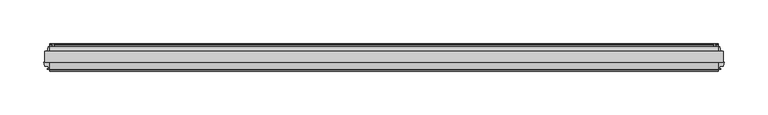
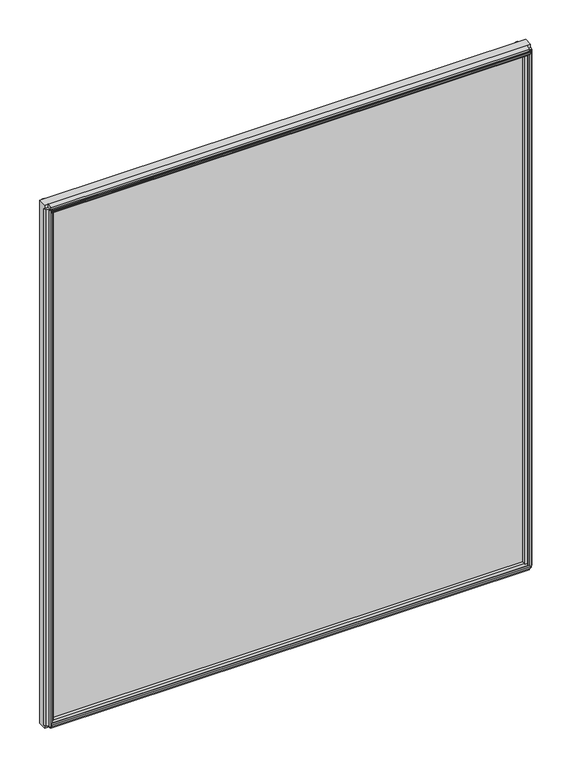
"""IFC4 building model written with IfcOpenShell, lengths in millimetres: plate geometry."""

from ifc_helpers import new_model, si_unit, frame, origin, place, context, project, spatial, polyline, outline, extrude, source, transform, mapped, element, save


def plate_525aedae(model_context):
    return source(origin(), model_context, "Body", "SweptSolid", [
        extrude(outline(polyline([(388.7930103, -0.0460375), (388.7930103, -12.8984375), (-388.7930103, -12.8984375), (-388.7930103, -0.0460375), (388.7930103, -0.0460375)])), frame((0.0, 0.0, -25.4), z_axis=(0.0, 0.0, 1.0), x_axis=(1.0, 0.0, 0.0)), (0.0, 0.0, 1.0), 884.5249632),
        extrude(outline(polyline([(-12.8984375, 859.1590805), (-12.8984375, 845.3420306), (-17.6736375, 846.3409457), (-18.7846441, 850.4872789), (-21.5347434, 850.2500163), (-20.888384, 848.8191509), (-21.6734885, 848.6087827), (-22.6708491, 850.7607742), (-22.8831052, 853.1231337), (-22.0980007, 853.3335018), (-21.9423316, 851.7711563), (-19.4420445, 852.9407305), (-20.5530511, 857.0870637), (-12.8984375, 859.1590805)])), frame((-383.2367603, 0.0, 0.0), z_axis=(1.0, 0.0, 0.0), x_axis=(0.0, 1.0, 0.0)), (0.0, 0.0, 1.0), 766.4735205),
        extrude(outline(polyline([(4.8053625, 853.906368), (4.8053625, 849.613768), (7.5231625, 849.131168), (7.2691625, 850.680568), (8.0819625, 850.680568), (8.4883625, 848.343768), (8.0819625, 846.006968), (7.2691625, 846.006968), (7.5231625, 847.556368), (4.8053625, 847.073768), (4.8053625, 842.781168), (-0.0460375, 841.5477612), (-0.0460375, 855.1397747), (4.8053625, 853.906368)])), frame((-383.2367603, 0.0, 0.0), z_axis=(1.0, 0.0, 0.0), x_axis=(0.0, 1.0, 0.0)), (0.0, 0.0, 1.0), 766.4735205),
        extrude(outline(polyline([(382.4395632, -20.2926598), (381.9472461, -17.5766032), (377.668971, -17.5766032), (376.4796069, -12.8984375), (389.9812136, -12.8984375), (388.7941591, -17.5675189), (384.4872298, -17.5675189), (384.0143532, -20.2870275), (385.5672103, -20.0267543), (385.5672103, -20.8400217), (383.2304103, -21.2550375), (380.8936103, -20.8572426), (380.8936103, -20.0448993), (382.4395632, -20.2926598)])), frame((0.0, 0.0, -19.84375), z_axis=(0.0, 0.0, 1.0), x_axis=(1.0, 0.0, 0.0)), (0.0, 0.0, 1.0), 873.4124632),
        extrude(outline(polyline([(379.7979532, 7.6219525), (380.2734994, 4.8870913), (384.5816623, 4.8870913), (385.8358475, -0.0460375), (372.192173, -0.0460375), (373.4525591, 4.9114812), (377.7308375, 4.9114812), (378.2231632, 7.6275848), (376.6757717, 7.3791279), (376.6757717, 8.1919227), (379.0140103, 8.5899625), (381.3493418, 8.1752075), (381.3464348, 7.3624127), (379.7979532, 7.6219525)])), frame((0.0, 0.0, -19.84375), z_axis=(0.0, 0.0, 1.0), x_axis=(1.0, 0.0, 0.0)), (0.0, 0.0, 1.0), 873.4124632),
        extrude(outline(polyline([(-384.0143532, -20.2870275), (-384.4898994, -17.5521663), (-388.7980623, -17.5521663), (-389.9785902, -12.9087562), (-376.4822303, -12.9087562), (-377.6689591, -17.5765562), (-381.9472375, -17.5765562), (-382.4395632, -20.2926598), (-380.8921717, -20.0442029), (-380.8921717, -20.8569977), (-383.2304103, -21.2550375), (-385.5657418, -20.8402825), (-385.5628348, -20.0274877), (-384.0143532, -20.2870275)])), frame((0.0, 0.0, -19.84375), z_axis=(0.0, 0.0, 1.0), x_axis=(1.0, 0.0, 0.0)), (0.0, 0.0, 1.0), 873.4124632),
        extrude(outline(polyline([(-378.2300673, 7.6219525), (-377.7545211, 4.8870913), (-373.4463583, 4.8870913), (-372.192173, -0.0460375), (-385.8358475, -0.0460375), (-384.5754614, 4.9114812), (-380.297183, 4.9114812), (-379.8048573, 7.6275848), (-381.3522488, 7.3791279), (-381.3522488, 8.1919227), (-379.0140103, 8.5899625), (-376.6786787, 8.1752075), (-376.6815857, 7.3624127), (-378.2300673, 7.6219525)])), frame((0.0, 0.0, -19.84375), z_axis=(0.0, 0.0, 1.0), x_axis=(1.0, 0.0, 0.0)), (0.0, 0.0, 1.0), 873.4124632),
        extrude(outline(polyline([(-12.8984375, -25.4341173), (-20.5530511, -23.3621005), (-19.4420445, -19.2157673), (-21.9423316, -18.0461931), (-22.0980007, -19.6085386), (-22.8831052, -19.3981705), (-22.6708491, -17.0358109), (-21.6734885, -14.8838195), (-20.888384, -15.0941876), (-21.5347434, -16.5250531), (-18.7846441, -16.7623157), (-17.6736375, -12.6159825), (-12.8984375, -11.6170674), (-12.8984375, -25.4341173)])), frame((-383.2367603, 0.0, 0.0), z_axis=(1.0, 0.0, 0.0), x_axis=(0.0, 1.0, 0.0)), (0.0, 0.0, 1.0), 766.4735205),
        extrude(outline(polyline([(4.8053625, -20.1814047), (-0.0460375, -21.4148115), (-0.0460375, -7.822798), (4.8053625, -9.0562047), (4.8053625, -13.3488047), (7.5231625, -13.8314047), (7.2691625, -12.2820047), (8.0819625, -12.2820047), (8.4883625, -14.6188047), (8.0819625, -16.9556047), (7.2691625, -16.9556047), (7.5231625, -15.4062047), (4.8053625, -15.8888047), (4.8053625, -20.1814047)])), frame((-383.2367603, 0.0, 0.0), z_axis=(1.0, 0.0, 0.0), x_axis=(0.0, 1.0, 0.0)), (0.0, 0.0, 1.0), 766.4735205),
    ])


if __name__ == "__main__":
    model = new_model("IFC4")
    model_context = context("Model", 3, world=origin())
    ifc_project = project(units=[si_unit("LENGTHUNIT", "METRE", prefix="MILLI")], contexts=[model_context])
    site = spatial("IfcSite", under=ifc_project)
    building = spatial("IfcBuilding", under=site)
    placement = place(None, origin())
    plate_shape = plate_525aedae(model_context)
    element("IfcPlate", 1, at=placement, inside=building, context=model_context, shape_type="MappedRepresentation", body=[
        mapped(plate_shape, transform((0.0, 0.0, 0.0), x_axis=(1.0, 0.0, 0.0), y_axis=(0.0, 1.0, 0.0), z_axis=(0.0, 0.0, 1.0))),
    ])
    save(model, "model.ifc")
